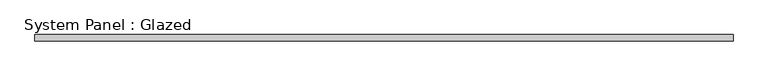
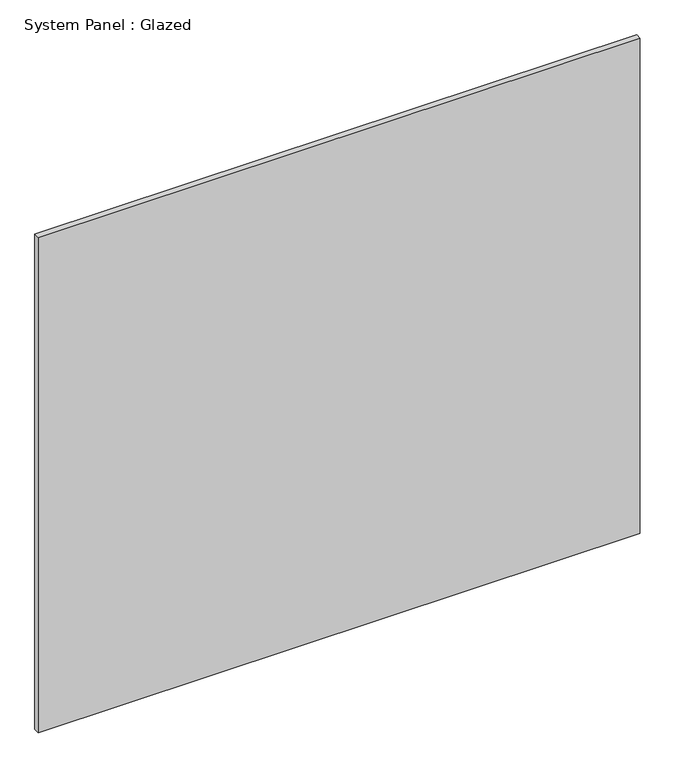
"""IFC4 building model written with IfcOpenShell, lengths in millimetres: plate geometry, System Panel : Glazed."""

from ifc_helpers import new_model, si_unit, origin, origin_with_axes, place, context, project, spatial, polyline, outline, extrude, source, transform, mapped, element, save


def system_panel_glazed_af247103(model_context):
    return source(origin(), model_context, "Body", "SweptSolid", [
        extrude(outline(polyline([(1365.25, 19.05), (-1365.25, 19.05), (-1365.25, 44.45), (1365.25, 44.45), (1365.25, 19.05)])), origin_with_axes(), (0.0, 0.0, 1.0), 2374.9),
    ])


if __name__ == "__main__":
    model = new_model("IFC4")
    model_context = context("Model", 3, world=origin())
    ifc_project = project(units=[si_unit("LENGTHUNIT", "METRE", prefix="MILLI")], contexts=[model_context])
    site = spatial("IfcSite", under=ifc_project)
    building = spatial("IfcBuilding", under=site)
    placement = place(None, origin())
    system_panel_glazed_shape = system_panel_glazed_af247103(model_context)
    element("IfcPlate", 1, ObjectType="System Panel : Glazed", at=placement, inside=building, context=model_context, shape_type="MappedRepresentation", body=[
        mapped(system_panel_glazed_shape, transform((0.0, 0.0, 0.0), x_axis=(1.0, 0.0, 0.0), y_axis=(0.0, 1.0, 0.0), z_axis=(0.0, 0.0, 1.0))),
    ])
    save(model, "model.ifc")
